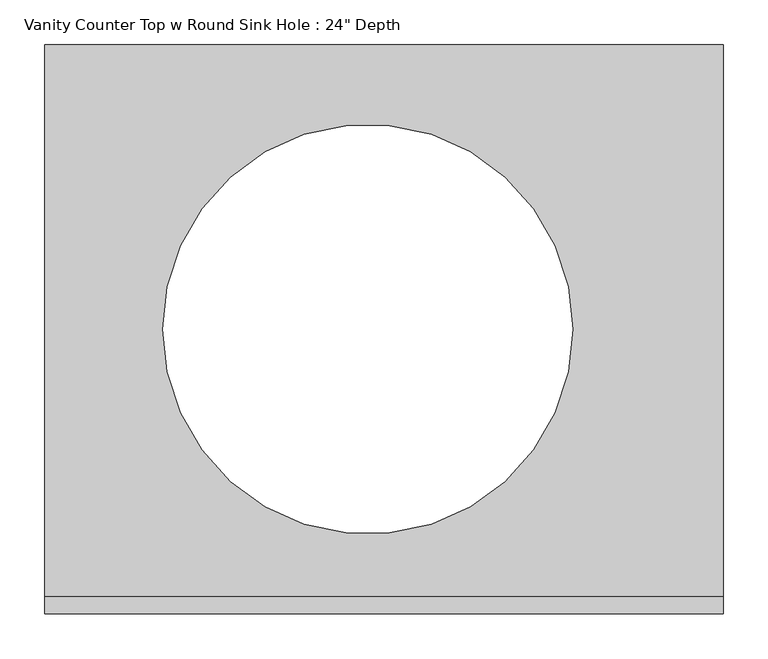
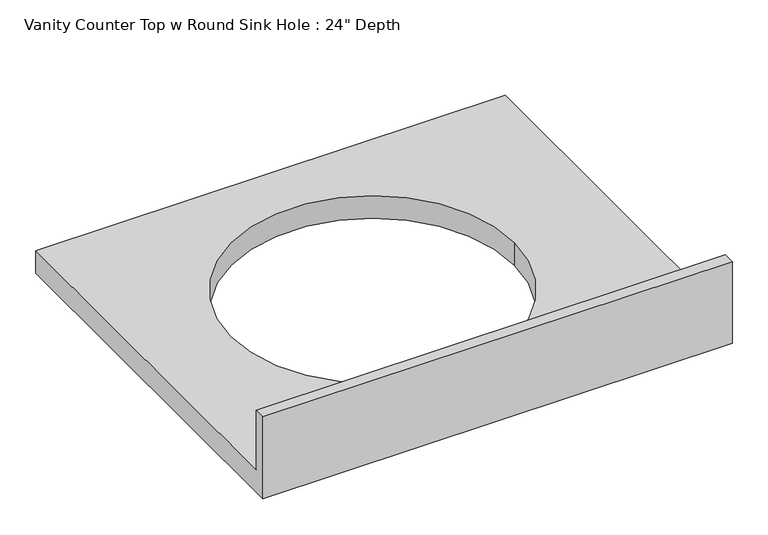
"""IFC4 building model written with IfcOpenShell, lengths in millimetres: furniture geometry."""

from ifc_helpers import new_model, si_unit, frame, origin, place, context, project, spatial, polyline, circle_curve, source, transform, mapped, element, save
from ifc_brep_helpers import plane_surface, revolved_surface, advanced_brep


def furniture_260f0fed(model_context):
    return source(origin(), model_context, "Body", "AdvancedBrep", [
        advanced_brep(
        [(-1327.4622951, 635.0, 787.4), (-1327.4622951, 19.05, 787.4), (-570.3133002, 19.05, 787.4), (-570.3133002, 635.0, 787.4), (-738.4040608, 317.5, 787.4), (-1195.6040608, 317.5, 787.4), (-570.3133002, 0.0, 749.3), (-1327.4622951, 0.0, 749.3), (-1327.4622951, 635.0, 749.3), (-570.3133002, 635.0, 749.3), (-1195.6040608, 317.5, 749.3), (-738.4040608, 317.5, 749.3), (-570.3133002, 0.0, 889.0), (-1327.4622951, 0.0, 889.0), (-1327.4622951, 19.05, 889.0), (-570.3133002, 19.05, 889.0)],
        [
            (0, 1),
            (1, 2),
            (2, 3),
            (3, 0),
            (4, 5, circle_curve(frame((-967.0040608, 317.5, 787.4), z_axis=(0.0, 0.0, -1.0), x_axis=(1.0, 0.0, 0.0)), 228.6)),
            (5, 4, circle_curve(frame((-967.0040608, 317.5, 787.4), z_axis=(0.0, 0.0, -1.0), x_axis=(1.0, 0.0, 0.0)), 228.6)),
            (6, 7),
            (7, 8),
            (8, 9),
            (9, 6),
            (10, 11, circle_curve(frame((-967.0040608, 317.5, 749.3), z_axis=(0.0, 0.0, 1.0), x_axis=(1.0, 0.0, 0.0)), 228.6)),
            (11, 10, circle_curve(frame((-967.0040608, 317.5, 749.3), z_axis=(0.0, 0.0, 1.0), x_axis=(1.0, 0.0, 0.0)), 228.6)),
            (6, 12),
            (12, 13),
            (13, 7),
            (13, 14),
            (14, 1),
            (0, 8),
            (3, 9),
            (2, 15),
            (15, 12),
            (15, 14),
            (5, 10),
            (11, 4),
        ],
        [
            plane_surface(frame((-1327.4622951, 0.0, 787.4), z_axis=(0.0, 0.0, 1.0), x_axis=(-1.0, 0.0, 0.0))),
            plane_surface(frame((-1327.4622951, 0.0, 749.3), z_axis=(0.0, 0.0, -1.0), x_axis=(1.0, 0.0, 0.0))),
            plane_surface(frame((-570.3133002, 0.0, 787.4), z_axis=(0.0, -1.0, 0.0), x_axis=(0.0, 0.0, -1.0))),
            plane_surface(frame((-1327.4622951, 0.0, 787.4), z_axis=(-1.0, 0.0, 0.0), x_axis=(0.0, 0.0, -1.0))),
            plane_surface(frame((-1327.4622951, 635.0, 787.4), z_axis=(0.0, 1.0, 0.0), x_axis=(0.0, 0.0, -1.0))),
            plane_surface(frame((-570.3133002, 635.0, 787.4), z_axis=(1.0, 0.0, 0.0), x_axis=(0.0, 0.0, -1.0))),
            plane_surface(frame((-1327.4622951, 0.0, 889.0), z_axis=(0.0, 0.0, 1.0), x_axis=(0.0, 1.0, 0.0))),
            plane_surface(frame((-1327.4622951, 19.05, 889.0), z_axis=(0.0, 1.0, 0.0), x_axis=(0.0, 0.0, -1.0))),
            revolved_surface(polyline([(-738.4040608, 317.5, 787.4), (-738.4040608, 317.5, 749.3)]), (-967.0040608, 317.5, 749.3), (0.0, 0.0, 1.0)),
        ],
        [
            (0, [[1, 2, 3, 4], [5, 6]]),
            (1, [[7, 8, 9, 10], [11, 12]]),
            (2, [[13, 14, 15, -7]]),
            (3, [[-15, 16, 17, -1, 18, -8]]),
            (4, [[19, -9, -18, -4]]),
            (5, [[-19, -3, 20, 21, -13, -10]]),
            (6, [[-14, -21, 22, -16]]),
            (7, [[-20, -2, -17, -22]]),
            (8, [[-6, 23, -12, 24]]),
            (8, [[-11, -23, -5, -24]]),
        ],
    ),
    ])


if __name__ == "__main__":
    model = new_model("IFC4")
    model_context = context("Model", 3, world=origin())
    ifc_project = project(units=[si_unit("LENGTHUNIT", "METRE", prefix="MILLI")], contexts=[model_context])
    site = spatial("IfcSite", under=ifc_project)
    building = spatial("IfcBuilding", under=site)
    placement = place(None, origin())
    furniture_shape = furniture_260f0fed(model_context)
    element("IfcFurniture", 1, ObjectType="Vanity Counter Top w Round Sink Hole : 24\" Depth", at=placement, inside=building, context=model_context, shape_type="MappedRepresentation", body=[
        mapped(furniture_shape, transform((0.0, 0.0, 0.0), x_axis=(1.0, 0.0, 0.0), y_axis=(0.0, 1.0, 0.0), z_axis=(0.0, 0.0, 1.0))),
    ])
    save(model, "model.ifc")
